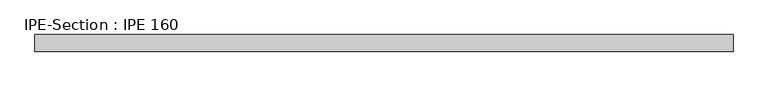
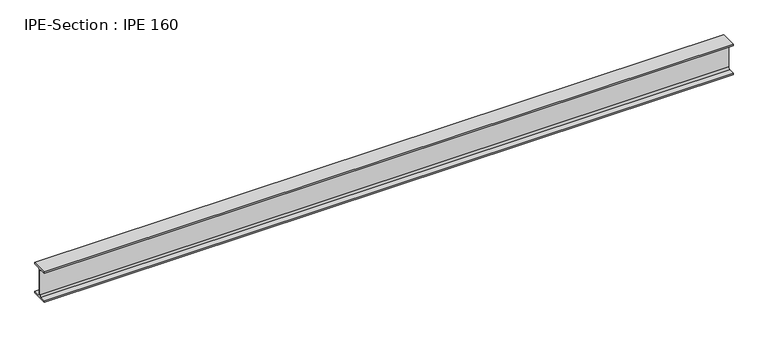
"""IFC4 building model written with IfcOpenShell, lengths in millimetres: beam geometry, IPE-Section : IPE 160."""

from ifc_helpers import new_model, si_unit, point, frame, frame_2d, origin, place, context, project, spatial, polyline, circle_curve, trimmed, segment, composite_curve, outline, extrude, source, transform, mapped, element, save


def ipe_section_ipe_160_2f5cbbc4(model_context):
    return source(origin(), model_context, "Body", "SweptSolid", [
        extrude(outline(composite_curve([segment(polyline([(41.0, -72.6), (41.0, -80.0), (-41.0, -80.0), (-41.0, -72.6), (-11.5, -72.6)]), True, "CONTINUOUS"), segment(trimmed(circle_curve(frame_2d((-11.5, -63.6)), 9.0), [point((-11.5, -72.6))], [point((-2.5, -63.6))], True, "CARTESIAN"), True, "CONTINUOUS"), segment(polyline([(-2.5, -63.6), (-2.5, 63.6)]), True, "CONTINUOUS"), segment(trimmed(circle_curve(frame_2d((-11.5, 63.6)), 9.0), [point((-2.5, 63.6))], [point((-11.5, 72.6))], True, "CARTESIAN"), True, "CONTINUOUS"), segment(polyline([(-11.5, 72.6), (-41.0, 72.6), (-41.0, 80.0), (41.0, 80.0), (41.0, 72.6), (11.5, 72.6)]), True, "CONTINUOUS"), segment(trimmed(circle_curve(frame_2d((11.5, 63.6)), 9.0), [point((11.5, 72.6))], [point((2.5, 63.6))], True, "CARTESIAN"), True, "CONTINUOUS"), segment(polyline([(2.5, 63.6), (2.5, -63.6)]), True, "CONTINUOUS"), segment(trimmed(circle_curve(frame_2d((11.5, -63.6)), 9.0), [point((2.5, -63.6))], [point((11.5, -72.6))], True, "CARTESIAN"), True, "CONTINUOUS"), segment(polyline([(11.5, -72.6), (41.0, -72.6)]), True, "CONTINUOUS")], self_intersect=False)), frame((-1739.5079868, 0.0, 0.0), z_axis=(1.0, 0.0, 0.0), x_axis=(0.0, 1.0, 0.0)), (0.0, 0.0, 1.0), 3450.6242532),
    ])


if __name__ == "__main__":
    model = new_model("IFC4")
    model_context = context("Model", 3, world=origin())
    ifc_project = project(units=[si_unit("LENGTHUNIT", "METRE", prefix="MILLI")], contexts=[model_context])
    site = spatial("IfcSite", under=ifc_project)
    building = spatial("IfcBuilding", under=site)
    placement = place(None, origin())
    ipe_section_ipe_160_shape = ipe_section_ipe_160_2f5cbbc4(model_context)
    element("IfcBeam", 1, ObjectType="IPE-Section : IPE 160", at=placement, inside=building, context=model_context, shape_type="MappedRepresentation", body=[
        mapped(ipe_section_ipe_160_shape, transform((0.0, 0.0, 0.0), x_axis=(1.0, 0.0, 0.0), y_axis=(0.0, 1.0, 0.0), z_axis=(0.0, 0.0, 1.0))),
    ])
    save(model, "model.ifc")
